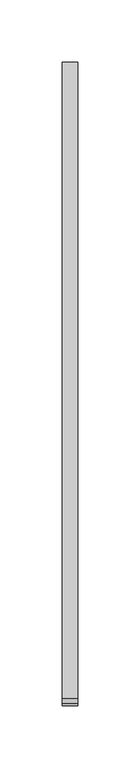
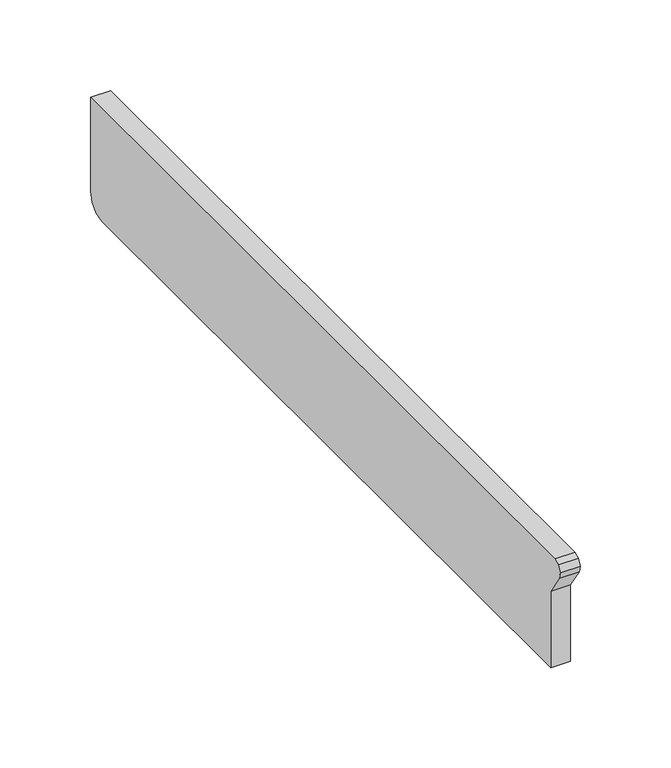
"""IFC4 building model written with IfcOpenShell, lengths in millimetres: furniture geometry."""

from ifc_helpers import new_model, si_unit, frame, origin, place, context, project, spatial, polyline, outline, extrude, source, transform, mapped, element, save


def furniture_0beb5994(model_context):
    return source(origin(), model_context, "Body", "SweptSolid", [
        extrude(outline(polyline([(-34.4332919, 911.8080887), (-530.0573867, 911.8080887), (-530.0573867, 963.3522263), (-539.7789227, 977.980158), (-540.8843422, 982.35956), (-538.79875, 986.3659742), (-534.577278, 987.9723624), (-21.75256, 987.9723624), (-21.75256, 924.4361703), (-23.4347672, 918.1580827), (-28.0832818, 913.5095681), (-34.4332919, 911.8080887)])), frame((12.3877049, 0.0, 0.0), z_axis=(1.0, 0.0, 0.0), x_axis=(0.0, 1.0, 0.0)), (0.0, 0.0, 1.0), 12.7),
    ])


if __name__ == "__main__":
    model = new_model("IFC4")
    model_context = context("Model", 3, world=origin())
    ifc_project = project(units=[si_unit("LENGTHUNIT", "METRE", prefix="MILLI")], contexts=[model_context])
    site = spatial("IfcSite", under=ifc_project)
    building = spatial("IfcBuilding", under=site)
    placement = place(None, origin())
    furniture_shape = furniture_0beb5994(model_context)
    element("IfcFurniture", 1, at=placement, inside=building, context=model_context, shape_type="MappedRepresentation", body=[
        mapped(furniture_shape, transform((0.0, 0.0, 0.0), x_axis=(1.0, 0.0, 0.0), y_axis=(0.0, 1.0, 0.0), z_axis=(0.0, 0.0, 1.0))),
    ])
    save(model, "model.ifc")
